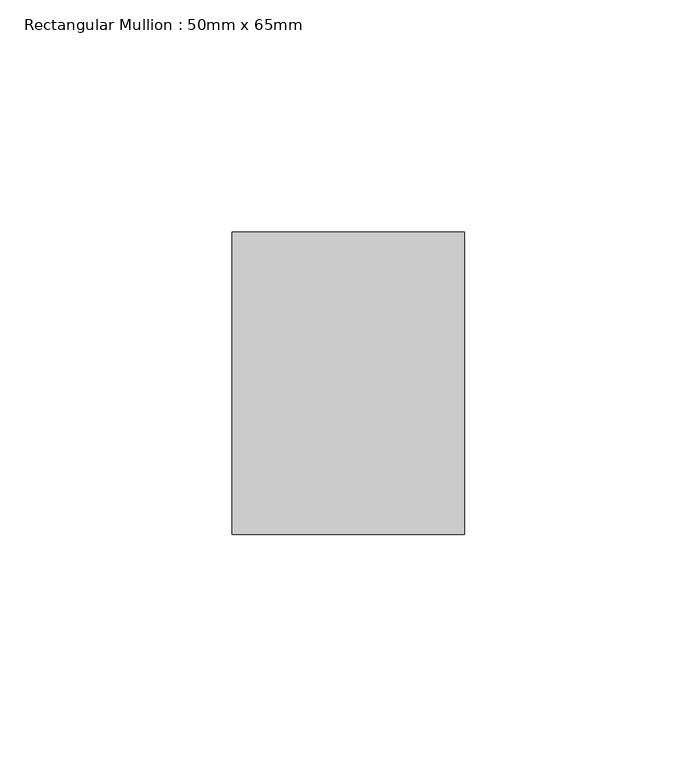
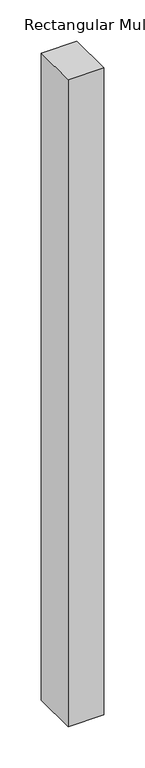
"""IFC4 building model written with IfcOpenShell, lengths in millimetres: member geometry, Rectangular Mullion : 50mm x 65mm."""

from ifc_helpers import new_model, si_unit, frame, origin, place, context, project, spatial, polyline, outline, extrude, source, transform, mapped, element, save


def rectangular_mullion_50mm_x_65mm_92c70a5f(model_context):
    return source(origin(), model_context, "Body", "SweptSolid", [
        extrude(outline(polyline([(25.0, 32.5), (25.0, -32.5), (-25.0, -32.5), (-25.0, 32.5), (25.0, 32.5)])), frame((0.0, 0.0, -957.7642528), z_axis=(0.0, 0.0, 1.0), x_axis=(1.0, 0.0, 0.0)), (0.0, 0.0, 1.0), 957.7642528),
    ])


if __name__ == "__main__":
    model = new_model("IFC4")
    model_context = context("Model", 3, world=origin())
    ifc_project = project(units=[si_unit("LENGTHUNIT", "METRE", prefix="MILLI")], contexts=[model_context])
    site = spatial("IfcSite", under=ifc_project)
    building = spatial("IfcBuilding", under=site)
    placement = place(None, origin())
    rectangular_mullion_50mm_x_65mm_shape = rectangular_mullion_50mm_x_65mm_92c70a5f(model_context)
    element("IfcMember", 1, ObjectType="Rectangular Mullion : 50mm x 65mm", at=placement, inside=building, context=model_context, shape_type="MappedRepresentation", body=[
        mapped(rectangular_mullion_50mm_x_65mm_shape, transform((0.0, 0.0, 0.0), x_axis=(1.0, 0.0, 0.0), y_axis=(0.0, 1.0, 0.0), z_axis=(0.0, 0.0, 1.0))),
    ])
    save(model, "model.ifc")
